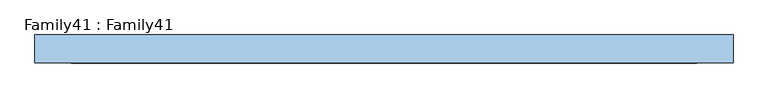
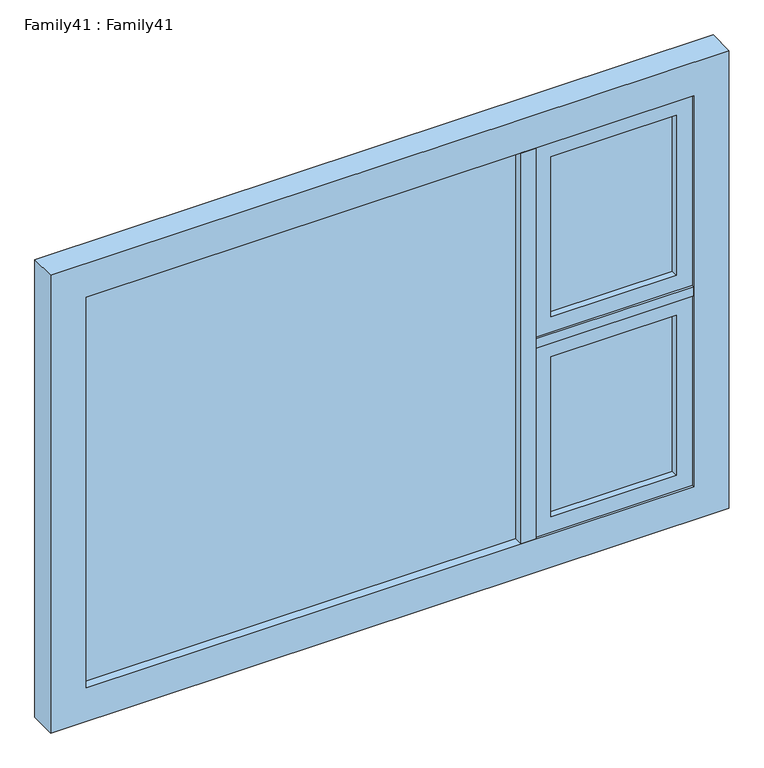
"""IFC4 building model written with IfcOpenShell, lengths in millimetres: window geometry, Family41 : Family41."""

from ifc_helpers import new_model, si_unit, frame, origin, place, context, project, spatial, polyline, outline, extrude, source, transform, mapped, element, save


def family41_family41_80c08cde(model_context):
    return source(origin(), model_context, "Body", "SweptSolid", [
        extrude(outline(polyline([(886.0, 14.0), (886.0, 10.0), (500.0, 10.0), (500.0, 14.0), (886.0, 14.0)])), frame((0.0, 0.0, 959.0), z_axis=(0.0, 0.0, 1.0), x_axis=(1.0, 0.0, 0.0)), (0.0, 0.0, 1.0), 521.0),
        extrude(outline(polyline([(500.0, -14.0), (500.0, -10.0), (886.0, -10.0), (886.0, -14.0), (500.0, -14.0)])), frame((0.0, 0.0, 959.0), z_axis=(0.0, 0.0, 1.0), x_axis=(1.0, 0.0, 0.0)), (0.0, 0.0, 1.0), 521.0),
        extrude(outline(polyline([(1530.0, 936.0), (1530.0, 450.0), (909.0, 450.0), (909.0, 936.0), (1530.0, 936.0)]), holes=[polyline([(959.0, 500.0), (1480.0, 500.0), (1480.0, 886.0), (959.0, 886.0), (959.0, 500.0)])]), frame((0.0, -35.5110303, 0.0), z_axis=(0.0, 1.0, 0.0), x_axis=(0.0, 0.0, 1.0)), (0.0, 0.0, 1.0), 70.4146297),
        extrude(outline(polyline([(403.8050141, 14.0), (403.8050141, 10.0), (-936.0, 10.0), (-936.0, 14.0), (403.8050141, 14.0)])), frame((0.0, 0.0, 909.0), z_axis=(0.0, 0.0, 1.0), x_axis=(1.0, 0.0, 0.0)), (0.0, 0.0, 1.0), 1272.0),
        extrude(outline(polyline([(-936.0, -14.0), (-936.0, -10.0), (403.8050141, -10.0), (403.8050141, -14.0), (-936.0, -14.0)])), frame((0.0, 0.0, 909.0), z_axis=(0.0, 0.0, 1.0), x_axis=(1.0, 0.0, 0.0)), (0.0, 0.0, 1.0), 1272.0),
        extrude(outline(polyline([(450.0, -42.0), (403.8050141, -42.0), (403.8050141, 42.0), (450.0, 42.0), (450.0, -42.0)])), frame((0.0, 0.0, 909.0), z_axis=(0.0, 0.0, 1.0), x_axis=(1.0, 0.0, 0.0)), (0.0, 0.0, 1.0), 1272.0),
        extrude(outline(polyline([(2290.0, 1045.0), (2290.0, -1045.0), (800.0, -1045.0), (800.0, 1045.0), (2290.0, 1045.0)]), holes=[polyline([(909.0, 936.0), (909.0, -936.0), (2181.0, -936.0), (2181.0, 936.0), (909.0, 936.0)])]), frame((0.0, -42.0, 0.0), z_axis=(0.0, 1.0, 0.0), x_axis=(0.0, 0.0, 1.0)), (0.0, 0.0, 1.0), 84.0),
        extrude(outline(polyline([(936.0, -42.0), (450.0, -42.0), (450.0, 42.0), (936.0, 42.0), (936.0, -42.0)])), frame((0.0, 0.0, 1530.0), z_axis=(0.0, 0.0, 1.0), x_axis=(1.0, 0.0, 0.0)), (0.0, 0.0, 1.0), 30.0),
        extrude(outline(polyline([(886.0, 14.0), (886.0, 10.0), (500.0, 10.0), (500.0, 14.0), (886.0, 14.0)])), frame((0.0, 0.0, 1610.0), z_axis=(0.0, 0.0, 1.0), x_axis=(1.0, 0.0, 0.0)), (0.0, 0.0, 1.0), 521.0),
        extrude(outline(polyline([(500.0, -14.0), (500.0, -10.0), (886.0, -10.0), (886.0, -14.0), (500.0, -14.0)])), frame((0.0, 0.0, 1610.0), z_axis=(0.0, 0.0, 1.0), x_axis=(1.0, 0.0, 0.0)), (0.0, 0.0, 1.0), 521.0),
        extrude(outline(polyline([(2181.0, 936.0), (2181.0, 450.0), (1560.0, 450.0), (1560.0, 936.0), (2181.0, 936.0)]), holes=[polyline([(1610.0, 500.0), (2131.0, 500.0), (2131.0, 886.0), (1610.0, 886.0), (1610.0, 500.0)])]), frame((0.0, -35.5110303, 0.0), z_axis=(0.0, 1.0, 0.0), x_axis=(0.0, 0.0, 1.0)), (0.0, 0.0, 1.0), 70.4146297),
    ])


if __name__ == "__main__":
    model = new_model("IFC4")
    model_context = context("Model", 3, world=origin())
    ifc_project = project(units=[si_unit("LENGTHUNIT", "METRE", prefix="MILLI")], contexts=[model_context])
    site = spatial("IfcSite", under=ifc_project)
    building = spatial("IfcBuilding", under=site)
    placement = place(None, origin())
    family41_family41_shape = family41_family41_80c08cde(model_context)
    element("IfcWindow", 1, ObjectType="Family41 : Family41", at=placement, inside=building, context=model_context, shape_type="MappedRepresentation", body=[
        mapped(family41_family41_shape, transform((0.0, 0.0, 0.0), x_axis=(1.0, 0.0, 0.0), y_axis=(0.0, 1.0, 0.0), z_axis=(0.0, 0.0, 1.0))),
    ])
    save(model, "model.ifc")
